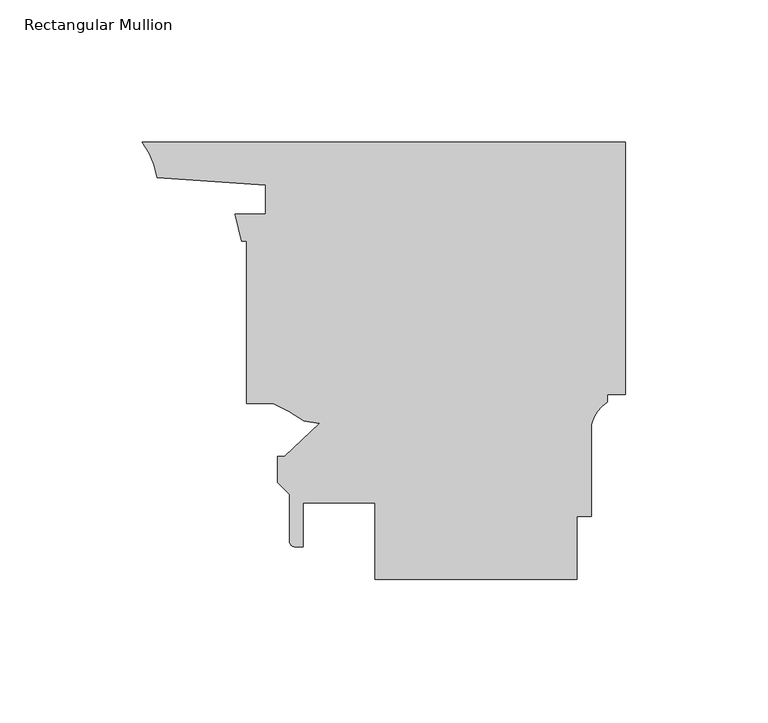
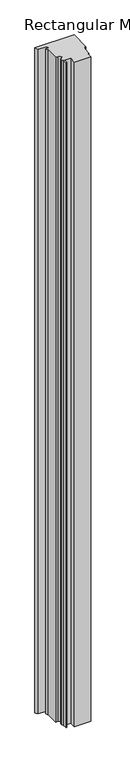
"""IFC4 building model written with IfcOpenShell, lengths in millimetres: member geometry, Rectangular Mullion."""

from ifc_helpers import new_model, si_unit, point, frame, frame_2d, origin, place, context, project, spatial, polyline, circle_curve, trimmed, segment, composite_curve, outline, extrude, source, transform, mapped, element, save


def rectangular_mullion_b3237026(model_context):
    return source(origin(), model_context, "Body", "SweptSolid", [
        extrude(outline(composite_curve([segment(polyline([(0.0, 0.0), (0.0, -88.899973), (-6.3499375, -88.899973), (-6.3499375, -91.519931)]), True, "CONTINUOUS"), segment(trimmed(circle_curve(frame_2d((1.2728908, -102.8948086)), 13.6928942), [point((-6.3499375, -91.519931))], [point((-11.9579229, -99.3676396))], True, "CARTESIAN"), True, "CONTINUOUS"), segment(polyline([(-11.9579229, -99.3676396), (-11.9579229, -131.762627), (-17.0379229, -131.762627), (-17.0379229, -153.987627), (-88.1579227, -153.987627), (-88.1579227, -127.0001275), (-113.5579227, -127.0001275), (-113.5579227, -142.5012765), (-116.4789229, -142.5012765)]), True, "CONTINUOUS"), segment(trimmed(circle_curve(frame_2d((-116.4789229, -140.7232765)), 1.778), [point((-116.4789229, -142.5012765))], [point((-118.2569229, -140.7232765))], False, "CARTESIAN"), True, "CONTINUOUS"), segment(polyline([(-118.2569229, -140.7232765), (-118.2569229, -124.1187687), (-122.5241229, -119.8515687), (-122.5241229, -110.7512765), (-119.984123, -110.7512765), (-107.7783418, -99.1267231), (-113.2151255, -98.1680714)]), True, "CONTINUOUS"), segment(trimmed(circle_curve(frame_2d((-145.9715647, -143.7308572)), 56.1155216), [point((-113.2151255, -98.1680714))], [point((-124.048123, -92.075127))], True, "CARTESIAN"), True, "CONTINUOUS"), segment(polyline([(-124.048123, -92.075127), (-133.3499375, -92.075127), (-133.3499375, -34.925), (-135.0812017, -34.925), (-137.5233844, -25.4), (-126.7327675, -25.4), (-126.7327675, -15.24), (-164.9873252, -12.5900978)]), True, "CONTINUOUS"), segment(trimmed(circle_curve(frame_2d((-192.0166343, -16.4585191)), 27.3047292), [point((-164.9873252, -12.5900978))], [point((-170.2298176, 0.0))], True, "CARTESIAN"), True, "CONTINUOUS"), segment(polyline([(-170.2298176, 0.0), (0.0, 0.0)]), True, "CONTINUOUS")], self_intersect=False)), frame((0.0, 0.0, -3048.0), z_axis=(0.0, 0.0, 1.0), x_axis=(1.0, 0.0, 0.0)), (0.0, 0.0, 1.0), 3048.0),
    ])


if __name__ == "__main__":
    model = new_model("IFC4")
    model_context = context("Model", 3, world=origin())
    ifc_project = project(units=[si_unit("LENGTHUNIT", "METRE", prefix="MILLI")], contexts=[model_context])
    site = spatial("IfcSite", under=ifc_project)
    building = spatial("IfcBuilding", under=site)
    placement = place(None, origin())
    rectangular_mullion_shape = rectangular_mullion_b3237026(model_context)
    element("IfcMember", 1, ObjectType="Rectangular Mullion", at=placement, inside=building, context=model_context, shape_type="MappedRepresentation", body=[
        mapped(rectangular_mullion_shape, transform((0.0, 0.0, 0.0), x_axis=(1.0, 0.0, 0.0), y_axis=(0.0, 1.0, 0.0), z_axis=(0.0, 0.0, 1.0))),
    ])
    save(model, "model.ifc")
